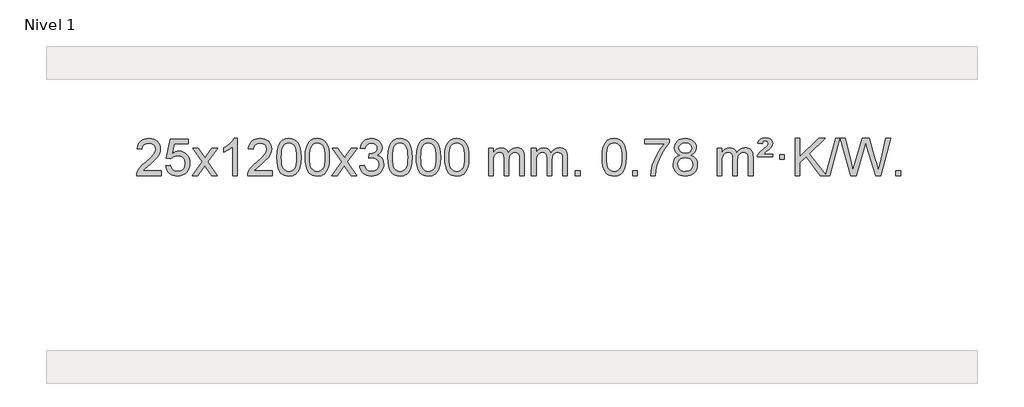
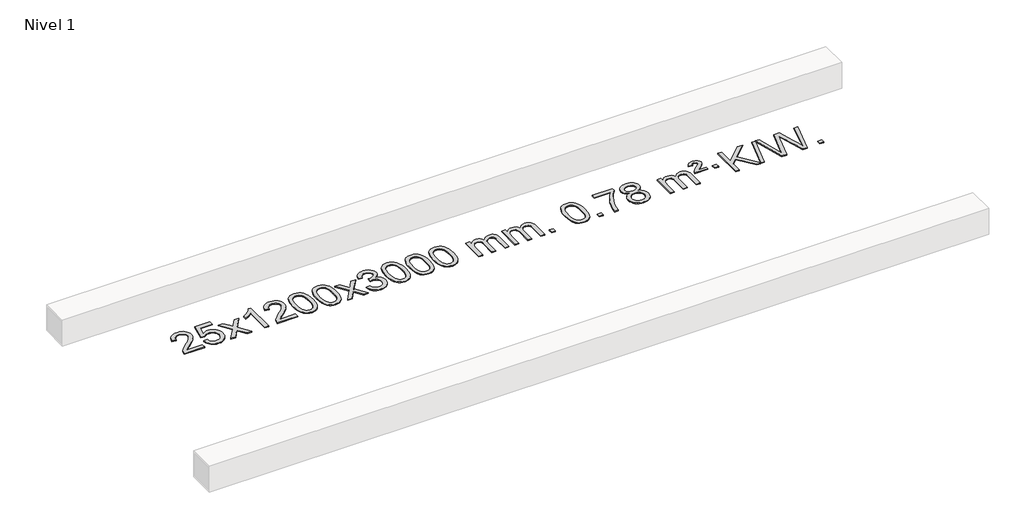
# One storey, part 2 of 8: 1 proxy.
"""IFC4 building model written with IfcOpenShell, lengths in millimetres."""

from ifc_helpers import new_model, si_unit, origin, origin_with_axes, place, context, project, spatial, polyline, outline, extrude, element, save

model = new_model("IFC4")

# Units and contexts
model_context = context("Model", 3, world=origin())
ifc_project = project(units=[si_unit("LENGTHUNIT", "METRE", prefix="MILLI")], contexts=[model_context])

# Site, building, storey
site = spatial("IfcSite", under=ifc_project)
building = spatial("IfcBuilding", under=site)
storey = spatial("IfcBuildingStorey", under=building, Name="Nivel 1", Elevation=0.0)

# Proxy
placement = place(None, origin())
element("IfcBuildingElementProxy", 1, Name="Texto de modelo 1", ObjectType="Texto de modelo 1", at=placement, inside=storey, context=model_context, shape_type="SweptSolid", body=[
    extrude(outline(polyline([(-22453.723944, -966.0966486), (-22453.723944, -1016.3248037), (-22717.4217581, -1016.3248037), (-22716.3181122, -998.6419425), (-22712.0261556, -981.6948452), (-22699.640795, -954.6309931), (-22681.5164754, -928.3764814), (-22655.2987519, -900.8956963), (-22618.6331797, -870.1530243), (-22564.4318991, -822.0095338), (-22531.9111307, -786.4721331), (-22515.6507465, -757.6301847), (-22510.2306185, -729.5730512), (-22515.3441782, -704.4221855), (-22530.6848574, -683.5142254), (-22554.2660933, -669.424345), (-22584.1013231, -664.7277182), (-22615.4326064, -669.3139804), (-22639.7741317, -683.072767), (-22655.4826929, -704.9249575), (-22660.9150837, -733.7914314), (-22711.1432388, -727.512912), (-22706.823691, -701.5833627), (-22698.9663447, -678.9279632), (-22687.5711999, -659.5467134), (-22672.6382566, -643.4396134), (-22654.5108713, -630.7783414), (-22633.5324005, -621.7345757), (-22609.7028443, -616.3083162), (-22583.0222026, -614.4995631), (-22556.1024376, -616.5106513), (-22532.1441226, -622.5439161), (-22511.1472578, -632.5993573), (-22493.111843, -646.6769749), (-22478.6264894, -663.7344368), (-22468.2798083, -682.7294105), (-22462.0717996, -703.661896), (-22460.0024634, -726.5318934), (-22462.2342808, -750.5545876), (-22468.9297331, -774.160349), (-22480.8123216, -798.1707806), (-22498.6055474, -823.4074854), (-22526.9692492, -853.5370208), (-22570.5632657, -892.225944), (-22628.3452644, -940.5411127), (-22651.0067953, -966.0966486), (-22453.723944, -966.0966486)])), origin_with_axes(), (0.0, 0.0, 1.0), 10.0),
    extrude(outline(polyline([(-22403.4957889, -909.5899742), (-22353.2676339, -903.3114548), (-22344.0460585, -933.4655156), (-22327.9573526, -955.0601888), (-22305.0750925, -968.0464232), (-22275.4728546, -972.375168), (-22256.3429909, -970.8699175), (-22239.46947, -966.354166), (-22224.8522921, -958.8279135), (-22212.491457, -948.2911601), (-22202.6628764, -935.2650717), (-22195.6424617, -920.2708148), (-22190.0261299, -884.3777948), (-22195.2868424, -850.5817021), (-22201.8627331, -836.6635), (-22211.06898, -824.7318606), (-22222.93624, -815.1607974), (-22237.49517, -808.3243236), (-22274.6880397, -802.8551446), (-22299.0540905, -805.0379111), (-22318.7848282, -811.5862106), (-22334.5424403, -821.6171264), (-22346.9891145, -834.2477415), (-22397.2172695, -827.9692222), (-22353.2676339, -620.7780825), (-22158.6335329, -620.7780825), (-22158.6335329, -671.0062376), (-22312.6534616, -671.0062376), (-22334.1377701, -781.6651417), (-22316.4119893, -768.9609501), (-22298.2570128, -759.8865276), (-22279.6728407, -754.4418741), (-22260.6594729, -752.6269896), (-22236.1983859, -754.8772011), (-22213.7299931, -761.6278357), (-22193.2542944, -772.8788934), (-22174.7712898, -788.6303741), (-22159.4704645, -807.9196534), (-22148.5413035, -829.7841067), (-22141.983807, -854.2237339), (-22139.7979748, -881.2385351), (-22141.7661435, -907.2600549), (-22147.6706495, -931.4666901), (-22157.5114929, -953.8584409), (-22171.2886736, -974.4353072), (-22192.1598454, -995.5088141), (-22216.5136335, -1010.5613191), (-22244.3500378, -1019.5928221), (-22275.6690583, -1022.6033231), (-22301.5894106, -1020.6688769), (-22325.0020339, -1014.8655384), (-22345.9069283, -1005.1933077), (-22364.3040937, -991.6521846), (-22379.6110504, -974.9166195), (-22391.2453185, -955.6610627), (-22399.206898, -933.8855143), (-22403.4957889, -909.5899742)])), origin_with_axes(), (0.0, 0.0, 1.0), 10.0),
    extrude(outline(polyline([(-22114.6838972, -1016.3248037), (-22007.3604565, -867.9947832), (-22108.4053779, -721.2343926), (-22047.9746288, -721.2343926), (-21999.2180017, -791.8677357), (-21976.4583689, -825.2223699), (-21956.739894, -797.9500514), (-21901.2142382, -721.2343926), (-21840.7834891, -721.2343926), (-21946.9297074, -867.9947832), (-21844.7075637, -1016.3248037), (-21905.1383128, -1016.3248037), (-21966.6481824, -927.1502081), (-21977.9298969, -910.8652984), (-22054.2531482, -1016.3248037), (-22114.6838972, -1016.3248037)])), origin_with_axes(), (0.0, 0.0, 1.0), 10.0),
    extrude(outline(polyline([(-21624.9593853, -1016.3248037), (-21675.1875403, -1016.3248037), (-21675.1875403, -703.1836494), (-21696.1568141, -720.1430094), (-21722.7669451, -737.0778439), (-21775.6438505, -762.4371761), (-21775.6438505, -714.9558732), (-21736.1946379, -693.4960902), (-21702.0184005, -667.9650797), (-21675.0771757, -640.8153885), (-21657.3330008, -614.4995631), (-21624.9593853, -614.4995631), (-21624.9593853, -1016.3248037)])), origin_with_axes(), (0.0, 0.0, 1.0), 10.0),
    extrude(outline(polyline([(-21248.2482222, -966.0966486), (-21248.2482222, -1016.3248037), (-21511.9460364, -1016.3248037), (-21510.8423904, -998.6419425), (-21506.5504338, -981.6948452), (-21494.1650733, -954.6309931), (-21476.0407536, -928.3764814), (-21449.8230301, -900.8956963), (-21413.1574579, -870.1530243), (-21358.9561773, -822.0095338), (-21326.4354089, -786.4721331), (-21310.1750247, -757.6301847), (-21304.7548967, -729.5730512), (-21309.8684564, -704.4221855), (-21325.2091356, -683.5142254), (-21348.7903715, -669.424345), (-21378.6256013, -664.7277182), (-21409.9568846, -669.3139804), (-21434.2984099, -683.072767), (-21450.0069711, -704.9249575), (-21455.4393619, -733.7914314), (-21505.667517, -727.512912), (-21501.3479692, -701.5833627), (-21493.4906229, -678.9279632), (-21482.0954781, -659.5467134), (-21467.1625348, -643.4396134), (-21449.0351495, -630.7783414), (-21428.0566787, -621.7345757), (-21404.2271225, -616.3083162), (-21377.5464808, -614.4995631), (-21350.6267158, -616.5106513), (-21326.6684008, -622.5439161), (-21305.671536, -632.5993573), (-21287.6361212, -646.6769749), (-21273.1507676, -663.7344368), (-21262.8040865, -682.7294105), (-21256.5960778, -703.661896), (-21254.5267416, -726.5318934), (-21256.758559, -750.5545876), (-21263.4540113, -774.160349), (-21275.3365998, -798.1707806), (-21293.1298256, -823.4074854), (-21321.4935274, -853.5370208), (-21365.0875439, -892.225944), (-21422.8695426, -940.5411127), (-21445.5310735, -966.0966486), (-21248.2482222, -966.0966486)])), origin_with_axes(), (0.0, 0.0, 1.0), 10.0),
    extrude(outline(polyline([(-21198.0200671, -818.649545), (-21194.3289844, -754.3315095), (-21183.2557364, -703.0364966), (-21164.9106876, -663.9796914), (-21153.0526246, -648.7463112), (-21139.4042026, -636.3762791), (-21123.9194363, -626.8052158), (-21106.5523404, -619.9687421), (-21066.1711601, -614.4995631), (-21035.2200215, -617.7369247), (-21007.5062446, -627.4490093), (-20984.3296789, -643.2556724), (-20966.9901742, -664.7767691), (-20953.8935751, -691.8283585), (-20943.4457265, -724.2264995), (-20936.6031214, -765.3679693), (-20934.322253, -818.649545), (-20937.9765475, -882.5996984), (-20948.9394309, -933.772084), (-20967.1741152, -972.8656773), (-20979.004587, -988.1450429), (-20992.643812, -1000.5794543), (-21008.1469724, -1010.2148969), (-21025.5692505, -1017.0973559), (-21066.1711601, -1022.6033231), (-21093.8358861, -1020.2120901), (-21118.3613524, -1013.0383912), (-21139.7475591, -1001.0822264), (-21157.9945061, -984.3435956), (-21175.505689, -954.0853015), (-21188.0136769, -916.3835283), (-21195.5184696, -871.2382762), (-21198.0200671, -818.649545)]), holes=[polyline([(-21147.7919121, -818.5514431), (-21146.3203841, -862.2159702), (-21141.9058001, -897.5602329), (-21134.5481602, -924.5842311), (-21124.2474644, -943.2879649), (-21111.7885275, -956.0136163), (-21097.9561644, -965.1033672), (-21082.7503753, -970.5572178), (-21066.1711601, -972.375168), (-21049.5919448, -970.5510864), (-21034.3861557, -965.0788418), (-21020.5537927, -955.958434), (-21008.0948558, -943.1898631), (-20997.7941599, -924.4554724), (-20990.43652, -897.4376056), (-20986.021936, -862.1362625), (-20984.5504081, -818.5514431), (-20985.9728851, -776.0426785), (-20990.2403163, -741.3207496), (-20997.3527015, -714.3856562), (-21007.3100408, -695.2373983), (-21019.5605113, -681.8894132), (-21033.5522898, -672.3551382), (-21049.2853765, -666.6345732), (-21066.7597713, -664.7277182), (-21083.2531474, -666.4077126), (-21098.2014191, -671.4476959), (-21111.6045865, -679.8476682), (-21123.4626494, -691.6076293), (-21134.1067018, -712.4542757), (-21141.7095964, -740.5604601), (-21146.2713331, -775.9261826), (-21147.7919121, -818.5514431)])]), origin_with_axes(), (0.0, 0.0, 1.0), 10.0),
    extrude(outline(polyline([(-20890.3726173, -818.649545), (-20886.6815346, -754.3315095), (-20875.6082866, -703.0364966), (-20857.2632377, -663.9796914), (-20845.4051748, -648.7463112), (-20831.7567527, -636.3762791), (-20816.2719864, -626.8052158), (-20798.9048906, -619.9687421), (-20758.5237102, -614.4995631), (-20727.5725717, -617.7369247), (-20699.8587947, -627.4490093), (-20676.682229, -643.2556724), (-20659.3427243, -664.7767691), (-20646.2461253, -691.8283585), (-20635.7982766, -724.2264995), (-20628.9556715, -765.3679693), (-20626.6748032, -818.649545), (-20630.3290976, -882.5996984), (-20641.2919811, -933.772084), (-20659.5266653, -972.8656773), (-20671.3571372, -988.1450429), (-20684.9963621, -1000.5794543), (-20700.4995225, -1010.2148969), (-20717.9218007, -1017.0973559), (-20758.5237102, -1022.6033231), (-20786.1884363, -1020.2120901), (-20810.7139026, -1013.0383912), (-20832.1001093, -1001.0822264), (-20850.3470562, -984.3435956), (-20867.8582392, -954.0853015), (-20880.366227, -916.3835283), (-20887.8710197, -871.2382762), (-20890.3726173, -818.649545)]), holes=[polyline([(-20840.1444622, -818.5514431), (-20838.6729342, -862.2159702), (-20834.2583503, -897.5602329), (-20826.9007104, -924.5842311), (-20816.6000145, -943.2879649), (-20804.1410776, -956.0136163), (-20790.3087146, -965.1033672), (-20775.1029255, -970.5572178), (-20758.5237102, -972.375168), (-20741.944495, -970.5510864), (-20726.7387058, -965.0788418), (-20712.9063428, -955.958434), (-20700.4474059, -943.1898631), (-20690.1467101, -924.4554724), (-20682.7890702, -897.4376056), (-20678.3744862, -862.1362625), (-20676.9029582, -818.5514431), (-20678.3254353, -776.0426785), (-20682.5928664, -741.3207496), (-20689.7052517, -714.3856562), (-20699.662591, -695.2373983), (-20711.9130614, -681.8894132), (-20725.90484, -672.3551382), (-20741.6379267, -666.6345732), (-20759.1123214, -664.7277182), (-20775.6056975, -666.4077126), (-20790.5539693, -671.4476959), (-20803.9571366, -679.8476682), (-20815.8151996, -691.6076293), (-20826.459252, -712.4542757), (-20834.0621466, -740.5604601), (-20838.6238833, -775.9261826), (-20840.1444622, -818.5514431)])]), origin_with_axes(), (0.0, 0.0, 1.0), 10.0),
    extrude(outline(polyline([(-20601.5607256, -1016.3248037), (-20494.2372849, -867.9947832), (-20595.2822062, -721.2343926), (-20534.8514572, -721.2343926), (-20486.0948301, -791.8677357), (-20463.3351973, -825.2223699), (-20443.6167224, -797.9500514), (-20388.0910666, -721.2343926), (-20327.6603175, -721.2343926), (-20433.8065358, -867.9947832), (-20331.5843921, -1016.3248037), (-20392.0151412, -1016.3248037), (-20453.5250108, -927.1502081), (-20464.8067253, -910.8652984), (-20541.1299765, -1016.3248037), (-20601.5607256, -1016.3248037)])), origin_with_axes(), (0.0, 0.0, 1.0), 10.0),
    extrude(outline(polyline([(-20300.1917952, -909.5899742), (-20249.9636401, -903.3114548), (-20238.7187138, -934.87573), (-20222.2498631, -956.1883602), (-20199.7477478, -968.3284661), (-20170.4030273, -972.375168), (-20135.9692725, -966.8078871), (-20121.6954511, -959.8487861), (-20109.383667, -950.1060446), (-20092.3875188, -925.1881708), (-20086.7221361, -894.9727962), (-20092.3384679, -866.2902633), (-20109.1874633, -843.0278585), (-20134.6939483, -827.6136029), (-20166.2827489, -822.4755177), (-20201.5013186, -827.9692222), (-20195.9095123, -777.7410671), (-20187.8651593, -778.3296783), (-20157.7724121, -774.7244347), (-20130.8679755, -763.9087041), (-20119.7947275, -755.729461), (-20111.8852646, -745.6127062), (-20107.1395868, -733.5584395), (-20105.5576943, -719.5666609), (-20110.1439565, -697.8738859), (-20123.9027431, -680.2768638), (-20144.8965423, -668.6150046), (-20171.1878422, -664.7277182), (-20197.5281931, -668.6517928), (-20219.0615525, -680.4240166), (-20234.7823764, -700.0443897), (-20243.6851207, -727.512912), (-20293.9132758, -721.2343926), (-20287.9597188, -697.2546179), (-20279.1244196, -676.13206), (-20267.407378, -657.866719), (-20252.8085942, -642.4585947), (-20235.7879205, -630.2265184), (-20216.8052096, -621.489321), (-20195.8604613, -616.2470026), (-20172.9536758, -614.4995631), (-20141.3771379, -617.9453911), (-20112.3757739, -628.2828752), (-20087.923884, -644.5923103), (-20069.9957681, -665.9539915), (-20058.9960964, -690.565297), (-20055.3295392, -716.623605), (-20058.8121554, -740.9038166), (-20069.2600041, -762.9276854), (-20086.5259324, -781.6896672), (-20110.4627875, -796.1842178), (-20079.0211397, -808.8884093), (-20055.7219466, -830.5198707), (-20041.3009724, -859.9013793), (-20036.493981, -895.855713), (-20038.8974767, -921.3376725), (-20046.1079638, -944.8085438), (-20058.1254423, -966.2683269), (-20074.9499123, -985.7170217), (-20095.4470708, -1001.8547786), (-20118.482615, -1013.3817477), (-20144.0565451, -1020.2979292), (-20172.1688608, -1022.6033231), (-20197.577244, -1020.6351544), (-20220.7292842, -1014.7306484), (-20241.6249815, -1004.889805), (-20260.264336, -991.1126243), (-20275.8931894, -974.2084466), (-20287.7573837, -954.9866124), (-20295.856919, -933.4471215), (-20300.1917952, -909.5899742)])), origin_with_axes(), (0.0, 0.0, 1.0), 10.0),
    extrude(outline(polyline([(-19992.5443453, -818.649545), (-19988.8532627, -754.3315095), (-19977.7800146, -703.0364966), (-19959.4349658, -663.9796914), (-19947.5769028, -648.7463112), (-19933.9284808, -636.3762791), (-19918.4437145, -626.8052158), (-19901.0766186, -619.9687421), (-19860.6954383, -614.4995631), (-19829.7442997, -617.7369247), (-19802.0305228, -627.4490093), (-19778.8539571, -643.2556724), (-19761.5144524, -664.7767691), (-19748.4178533, -691.8283585), (-19737.9700047, -724.2264995), (-19731.1273996, -765.3679693), (-19728.8465312, -818.649545), (-19732.5008257, -882.5996984), (-19743.4637091, -933.772084), (-19761.6983934, -972.8656773), (-19773.5288652, -988.1450429), (-19787.1680902, -1000.5794543), (-19802.6712506, -1010.2148969), (-19820.0935287, -1017.0973559), (-19860.6954383, -1022.6033231), (-19888.3601643, -1020.2120901), (-19912.8856306, -1013.0383912), (-19934.2718373, -1001.0822264), (-19952.5187843, -984.3435956), (-19970.0299672, -954.0853015), (-19982.5379551, -916.3835283), (-19990.0427478, -871.2382762), (-19992.5443453, -818.649545)]), holes=[polyline([(-19942.3161903, -818.5514431), (-19940.8446623, -862.2159702), (-19936.4300783, -897.5602329), (-19929.0724384, -924.5842311), (-19918.7717426, -943.2879649), (-19906.3128057, -956.0136163), (-19892.4804427, -965.1033672), (-19877.2746535, -970.5572178), (-19860.6954383, -972.375168), (-19844.116223, -970.5510864), (-19828.9104339, -965.0788418), (-19815.0780709, -955.958434), (-19802.619134, -943.1898631), (-19792.3184381, -924.4554724), (-19784.9607982, -897.4376056), (-19780.5462143, -862.1362625), (-19779.0746863, -818.5514431), (-19780.4971633, -776.0426785), (-19784.7645945, -741.3207496), (-19791.8769797, -714.3856562), (-19801.834319, -695.2373983), (-19814.0847895, -681.8894132), (-19828.076568, -672.3551382), (-19843.8096547, -666.6345732), (-19861.2840495, -664.7277182), (-19877.7774256, -666.4077126), (-19892.7256973, -671.4476959), (-19906.1288647, -679.8476682), (-19917.9869276, -691.6076293), (-19928.63098, -712.4542757), (-19936.2338746, -740.5604601), (-19940.7956114, -775.9261826), (-19942.3161903, -818.5514431)])]), origin_with_axes(), (0.0, 0.0, 1.0), 10.0),
    extrude(outline(polyline([(-19684.8968955, -818.649545), (-19681.2058128, -754.3315095), (-19670.1325648, -703.0364966), (-19651.7875159, -663.9796914), (-19639.929453, -648.7463112), (-19626.2810309, -636.3762791), (-19610.7962646, -626.8052158), (-19593.4291688, -619.9687421), (-19553.0479884, -614.4995631), (-19522.0968499, -617.7369247), (-19494.3830729, -627.4490093), (-19471.2065072, -643.2556724), (-19453.8670025, -664.7767691), (-19440.7704035, -691.8283585), (-19430.3225548, -724.2264995), (-19423.4799497, -765.3679693), (-19421.1990814, -818.649545), (-19424.8533758, -882.5996984), (-19435.8162593, -933.772084), (-19454.0509435, -972.8656773), (-19465.8814154, -988.1450429), (-19479.5206403, -1000.5794543), (-19495.0238007, -1010.2148969), (-19512.4460789, -1017.0973559), (-19553.0479884, -1022.6033231), (-19580.7127145, -1020.2120901), (-19605.2381808, -1013.0383912), (-19626.6243875, -1001.0822264), (-19644.8713344, -984.3435956), (-19662.3825174, -954.0853015), (-19674.8905052, -916.3835283), (-19682.3952979, -871.2382762), (-19684.8968955, -818.649545)]), holes=[polyline([(-19634.6687404, -818.5514431), (-19633.1972124, -862.2159702), (-19628.7826285, -897.5602329), (-19621.4249886, -924.5842311), (-19611.1242927, -943.2879649), (-19598.6653558, -956.0136163), (-19584.8329928, -965.1033672), (-19569.6272037, -970.5572178), (-19553.0479884, -972.375168), (-19536.4687732, -970.5510864), (-19521.2629841, -965.0788418), (-19507.430621, -955.958434), (-19494.9716841, -943.1898631), (-19484.6709883, -924.4554724), (-19477.3133484, -897.4376056), (-19472.8987644, -862.1362625), (-19471.4272364, -818.5514431), (-19472.8497135, -776.0426785), (-19477.1171446, -741.3207496), (-19484.2295299, -714.3856562), (-19494.1868692, -695.2373983), (-19506.4373396, -681.8894132), (-19520.4291182, -672.3551382), (-19536.1622049, -666.6345732), (-19553.6365996, -664.7277182), (-19570.1299757, -666.4077126), (-19585.0782475, -671.4476959), (-19598.4814148, -679.8476682), (-19610.3394778, -691.6076293), (-19620.9835302, -712.4542757), (-19628.5864248, -740.5604601), (-19633.1481615, -775.9261826), (-19634.6687404, -818.5514431)])]), origin_with_axes(), (0.0, 0.0, 1.0), 10.0),
    extrude(outline(polyline([(-19377.2494457, -818.649545), (-19373.558363, -754.3315095), (-19362.4851149, -703.0364966), (-19344.1400661, -663.9796914), (-19332.2820031, -648.7463112), (-19318.6335811, -636.3762791), (-19303.1488148, -626.8052158), (-19285.7817189, -619.9687421), (-19245.4005386, -614.4995631), (-19214.4494001, -617.7369247), (-19186.7356231, -627.4490093), (-19163.5590574, -643.2556724), (-19146.2195527, -664.7767691), (-19133.1229537, -691.8283585), (-19122.675105, -724.2264995), (-19115.8324999, -765.3679693), (-19113.5516315, -818.649545), (-19117.205926, -882.5996984), (-19128.1688095, -933.772084), (-19146.4034937, -972.8656773), (-19158.2339655, -988.1450429), (-19171.8731905, -1000.5794543), (-19187.3763509, -1010.2148969), (-19204.7986291, -1017.0973559), (-19245.4005386, -1022.6033231), (-19273.0652646, -1020.2120901), (-19297.590731, -1013.0383912), (-19318.9769376, -1001.0822264), (-19337.2238846, -984.3435956), (-19354.7350676, -954.0853015), (-19367.2430554, -916.3835283), (-19374.7478481, -871.2382762), (-19377.2494457, -818.649545)]), holes=[polyline([(-19327.0212906, -818.5514431), (-19325.5497626, -862.2159702), (-19321.1351787, -897.5602329), (-19313.7775388, -924.5842311), (-19303.4768429, -943.2879649), (-19291.017906, -956.0136163), (-19277.185543, -965.1033672), (-19261.9797538, -970.5572178), (-19245.4005386, -972.375168), (-19228.8213234, -970.5510864), (-19213.6155342, -965.0788418), (-19199.7831712, -955.958434), (-19187.3242343, -943.1898631), (-19177.0235384, -924.4554724), (-19169.6658985, -897.4376056), (-19165.2513146, -862.1362625), (-19163.7797866, -818.5514431), (-19165.2022637, -776.0426785), (-19169.4696948, -741.3207496), (-19176.58208, -714.3856562), (-19186.5394194, -695.2373983), (-19198.7898898, -681.8894132), (-19212.7816684, -672.3551382), (-19228.514755, -666.6345732), (-19245.9891498, -664.7277182), (-19262.4825259, -666.4077126), (-19277.4307976, -671.4476959), (-19290.833965, -679.8476682), (-19302.692028, -691.6076293), (-19313.3360804, -712.4542757), (-19320.9389749, -740.5604601), (-19325.5007117, -775.9261826), (-19327.0212906, -818.5514431)])]), origin_with_axes(), (0.0, 0.0, 1.0), 10.0),
    extrude(outline(polyline([(-18900.0819725, -1016.3248037), (-18900.0819725, -721.2343926), (-18849.8538174, -721.2343926), (-18849.8538174, -769.794816), (-18834.7461301, -747.4889044), (-18815.3219608, -730.0145096), (-18792.2434969, -718.7205323), (-18766.1729262, -714.9558732), (-18738.23842, -718.7941087), (-18715.8466693, -730.3088152), (-18699.1203012, -748.7397031), (-18688.1819432, -773.3264831), (-18669.8736826, -747.7893413), (-18648.990248, -729.5485257), (-18625.5316395, -718.6040364), (-18599.4978569, -714.9558732), (-18579.3900402, -716.4733865), (-18561.7409015, -721.0259262), (-18546.5504408, -728.6134923), (-18533.8186581, -739.2360849), (-18523.7540198, -753.0163313), (-18516.5649925, -770.0768589), (-18512.2515761, -790.4176675), (-18510.8137706, -814.0387573), (-18510.8137706, -1016.3248037), (-18561.0419257, -1016.3248037), (-18561.0419257, -835.6211677), (-18562.2068854, -810.5684038), (-18565.7017643, -793.6826202), (-18572.2500638, -782.1188628), (-18582.5752852, -773.0321776), (-18595.8558252, -767.1460656), (-18611.2700808, -765.1840283), (-18638.4810857, -770.2117489), (-18660.66437, -785.2949107), (-18669.269743, -796.8647995), (-18675.416438, -811.4635833), (-18680.333794, -849.7478363), (-18680.333794, -1016.3248037), (-18730.5619491, -1016.3248037), (-18730.5619491, -830.0293613), (-18733.4682168, -801.6288713), (-18742.1870201, -781.3708361), (-18757.5276993, -769.2307303), (-18780.2995948, -765.1840283), (-18799.6501878, -767.8818296), (-18817.4802018, -775.9752335), (-18832.1954816, -789.2680363), (-18842.2018719, -807.5640342), (-18847.940831, -832.9478918), (-18849.8538174, -867.5042739), (-18849.8538174, -1016.3248037), (-18900.0819725, -1016.3248037)])), origin_with_axes(), (0.0, 0.0, 1.0), 10.0),
    extrude(outline(polyline([(-18435.471538, -1016.3248037), (-18435.471538, -721.2343926), (-18385.2433829, -721.2343926), (-18385.2433829, -769.794816), (-18370.1356957, -747.4889044), (-18350.7115263, -730.0145096), (-18327.6330625, -718.7205323), (-18301.5624918, -714.9558732), (-18273.6279856, -718.7941087), (-18251.2362348, -730.3088152), (-18234.5098668, -748.7397031), (-18223.5715088, -773.3264831), (-18205.2632482, -747.7893413), (-18184.3798136, -729.5485257), (-18160.921205, -718.6040364), (-18134.8874225, -714.9558732), (-18114.7796058, -716.4733865), (-18097.1304671, -721.0259262), (-18081.9400063, -728.6134923), (-18069.2082236, -739.2360849), (-18059.1435854, -753.0163313), (-18051.954558, -770.0768589), (-18047.6411417, -790.4176675), (-18046.2033362, -814.0387573), (-18046.2033362, -1016.3248037), (-18096.4314913, -1016.3248037), (-18096.4314913, -835.6211677), (-18097.5964509, -810.5684038), (-18101.0913299, -793.6826202), (-18107.6396294, -782.1188628), (-18117.9648507, -773.0321776), (-18131.2453907, -767.1460656), (-18146.6596463, -765.1840283), (-18173.8706512, -770.2117489), (-18196.0539356, -785.2949107), (-18204.6593086, -796.8647995), (-18210.8060036, -811.4635833), (-18215.7233596, -849.7478363), (-18215.7233596, -1016.3248037), (-18265.9515146, -1016.3248037), (-18265.9515146, -830.0293613), (-18268.8577824, -801.6288713), (-18277.5765857, -781.3708361), (-18292.9172649, -769.2307303), (-18315.6891604, -765.1840283), (-18335.0397533, -767.8818296), (-18352.8697674, -775.9752335), (-18367.5850472, -789.2680363), (-18377.5914374, -807.5640342), (-18383.3303966, -832.9478918), (-18385.2433829, -867.5042739), (-18385.2433829, -1016.3248037), (-18435.471538, -1016.3248037)])), origin_with_axes(), (0.0, 0.0, 1.0), 10.0),
    extrude(outline(polyline([(-17958.3040648, -1016.3248037), (-17958.3040648, -966.0966486), (-17908.0759097, -966.0966486), (-17908.0759097, -1016.3248037), (-17958.3040648, -1016.3248037)])), origin_with_axes(), (0.0, 0.0, 1.0), 10.0),
    extrude(outline(polyline([(-17669.4921731, -818.649545), (-17665.8010904, -754.3315095), (-17654.7278424, -703.0364966), (-17636.3827936, -663.9796914), (-17624.5247306, -648.7463112), (-17610.8763086, -636.3762791), (-17595.3915423, -626.8052158), (-17578.0244464, -619.9687421), (-17537.6432661, -614.4995631), (-17506.6921275, -617.7369247), (-17478.9783506, -627.4490093), (-17455.8017849, -643.2556724), (-17438.4622802, -664.7767691), (-17425.3656811, -691.8283585), (-17414.9178325, -724.2264995), (-17408.0752274, -765.3679693), (-17405.794359, -818.649545), (-17409.4486535, -882.5996984), (-17420.4115369, -933.772084), (-17438.6462212, -972.8656773), (-17450.476693, -988.1450429), (-17464.115918, -1000.5794543), (-17479.6190784, -1010.2148969), (-17497.0413565, -1017.0973559), (-17537.6432661, -1022.6033231), (-17565.3079921, -1020.2120901), (-17589.8334584, -1013.0383912), (-17611.2196651, -1001.0822264), (-17629.4666121, -984.3435956), (-17646.977795, -954.0853015), (-17659.4857829, -916.3835283), (-17666.9905756, -871.2382762), (-17669.4921731, -818.649545)]), holes=[polyline([(-17619.2640181, -818.5514431), (-17617.7924901, -862.2159702), (-17613.3779061, -897.5602329), (-17606.0202662, -924.5842311), (-17595.7195704, -943.2879649), (-17583.2606335, -956.0136163), (-17569.4282704, -965.1033672), (-17554.2224813, -970.5572178), (-17537.6432661, -972.375168), (-17521.0640508, -970.5510864), (-17505.8582617, -965.0788418), (-17492.0258987, -955.958434), (-17479.5669618, -943.1898631), (-17469.2662659, -924.4554724), (-17461.908626, -897.4376056), (-17457.494042, -862.1362625), (-17456.0225141, -818.5514431), (-17457.4449911, -776.0426785), (-17461.7124223, -741.3207496), (-17468.8248075, -714.3856562), (-17478.7821468, -695.2373983), (-17491.0326173, -681.8894132), (-17505.0243958, -672.3551382), (-17520.7574825, -666.6345732), (-17538.2318772, -664.7277182), (-17554.7252534, -666.4077126), (-17569.6735251, -671.4476959), (-17583.0766925, -679.8476682), (-17594.9347554, -691.6076293), (-17605.5788078, -712.4542757), (-17613.1817024, -740.5604601), (-17617.7434391, -775.9261826), (-17619.2640181, -818.5514431)])]), origin_with_axes(), (0.0, 0.0, 1.0), 10.0),
    extrude(outline(polyline([(-17336.7306458, -1016.3248037), (-17336.7306458, -966.0966486), (-17286.5024907, -966.0966486), (-17286.5024907, -1016.3248037), (-17336.7306458, -1016.3248037)])), origin_with_axes(), (0.0, 0.0, 1.0), 10.0),
    extrude(outline(polyline([(-17204.8817387, -671.0062376), (-17204.8817387, -620.7780825), (-16941.1839245, -620.7780825), (-16941.1839245, -661.3922547), (-16978.7692017, -708.9593967), (-17015.9865969, -769.4514595), (-17048.8139336, -837.350213), (-17073.2290353, -907.1374275), (-17085.1974629, -959.3521454), (-17091.8683898, -1016.3248037), (-17142.0965448, -1016.3248037), (-17136.664154, -964.5515442), (-17122.1328152, -903.0171492), (-17098.8949359, -837.7916714), (-17067.3429234, -774.9451639), (-17030.505673, -718.1319211), (-16991.4120796, -671.0062376), (-17204.8817387, -671.0062376)])), origin_with_axes(), (0.0, 0.0, 1.0), 10.0),
    extrude(outline(polyline([(-16824.0502973, -795.0069954), (-16850.9424711, -781.7632436), (-16869.8148175, -763.8106022), (-16880.9616419, -741.5169533), (-16884.6772501, -715.2501788), (-16882.6538991, -694.7652831), (-16876.5838462, -675.9849072), (-16866.4670913, -658.9090513), (-16852.3036345, -643.5377152), (-16834.7740574, -630.8335237), (-16814.5589418, -621.7591011), (-16791.6582876, -616.3144476), (-16766.0720948, -614.4995631), (-16740.3632747, -616.3573672), (-16717.2909423, -621.9307794), (-16696.8550974, -631.2197998), (-16679.0557402, -644.2244283), (-16664.634766, -659.8962013), (-16654.3340702, -677.1866551), (-16648.1536527, -696.0957896), (-16646.0935135, -716.623605), (-16649.7600707, -742.0442508), (-16660.7597424, -763.957755), (-16679.2151558, -781.8000318), (-16705.2489383, -795.0069954), (-16674.334588, -810.9362858), (-16651.8324726, -834.3948943), (-16638.1104742, -864.2546496), (-16633.5364747, -899.3873802), (-16635.8050803, -924.440144), (-16642.6108973, -947.4082433), (-16653.9539254, -968.2916779), (-16669.8341649, -987.0904478), (-16689.4177498, -1002.6273307), (-16711.8708142, -1013.7251043), (-16737.1933582, -1020.3837684), (-16765.3853818, -1022.6033231), (-16793.5774053, -1020.3745713), (-16818.8999493, -1013.6883161), (-16841.3530138, -1002.5445573), (-16860.9365987, -986.943295), (-16876.8168381, -968.0127007), (-16888.1598663, -946.8809457), (-16894.9656832, -923.5480302), (-16897.2342889, -898.013954), (-16892.4763484, -861.5200601), (-16878.202527, -831.5008893), (-16855.1485886, -808.9865112), (-16824.0502973, -795.0069954)]), holes=[polyline([(-16847.0061338, -896.2481205), (-16844.9092064, -915.4638234), (-16838.6184243, -934.0663896), (-16827.005616, -950.2899856), (-16808.94261, -962.3687777), (-16787.3111487, -969.8735704), (-16764.9929743, -972.375168), (-16730.8044742, -967.1144555), (-16716.9107976, -960.5385648), (-16705.1508364, -951.3323179), (-16689.1111814, -927.4322509), (-16683.7646298, -897.8177503), (-16689.2828597, -867.7004776), (-16705.8375495, -843.2731132), (-16717.9163417, -833.8308086), (-16732.0797985, -827.0863054), (-16766.660706, -821.6907028), (-16800.3709595, -827.012729), (-16814.1082864, -833.6652617), (-16825.7670799, -842.9788076), (-16841.6963703, -866.9401882), (-16847.0061338, -896.2481205)]), polyline([(-16834.449095, -716.7217068), (-16829.9977229, -738.6474737), (-16816.6436064, -756.1586567), (-16794.7791532, -767.636575), (-16764.7967706, -771.4625477), (-16735.5133638, -767.6611004), (-16713.9800043, -756.2567586), (-16700.7362525, -739.3341868), (-16696.3216686, -718.9780497), (-16700.8834053, -697.8493605), (-16714.5686155, -680.3749657), (-16736.3962806, -668.6395301), (-16765.3853818, -664.7277182), (-16794.558424, -668.5536909), (-16816.3493008, -680.0316092), (-16829.9241465, -696.8560791), (-16834.449095, -716.7217068)])]), origin_with_axes(), (0.0, 0.0, 1.0), 10.0),
    extrude(outline(polyline([(-16420.0668156, -1016.3248037), (-16420.0668156, -721.2343926), (-16369.8386606, -721.2343926), (-16369.8386606, -769.794816), (-16354.7309733, -747.4889044), (-16335.306804, -730.0145096), (-16312.2283401, -718.7205323), (-16286.1577694, -714.9558732), (-16258.2232632, -718.7941087), (-16235.8315125, -730.3088152), (-16219.1051444, -748.7397031), (-16208.1667864, -773.3264831), (-16189.8585258, -747.7893413), (-16168.9750912, -729.5485257), (-16145.5164826, -718.6040364), (-16119.4827001, -714.9558732), (-16099.3748834, -716.4733865), (-16081.7257447, -721.0259262), (-16066.535284, -728.6134923), (-16053.8035012, -739.2360849), (-16043.738863, -753.0163313), (-16036.5498357, -770.0768589), (-16032.2364193, -790.4176675), (-16030.7986138, -814.0387573), (-16030.7986138, -1016.3248037), (-16081.0267689, -1016.3248037), (-16081.0267689, -835.6211677), (-16082.1917285, -810.5684038), (-16085.6866075, -793.6826202), (-16092.234907, -782.1188628), (-16102.5601283, -773.0321776), (-16115.8406684, -767.1460656), (-16131.254924, -765.1840283), (-16158.4659289, -770.2117489), (-16180.6492132, -785.2949107), (-16189.2545862, -796.8647995), (-16195.4012812, -811.4635833), (-16200.3186372, -849.7478363), (-16200.3186372, -1016.3248037), (-16250.5467923, -1016.3248037), (-16250.5467923, -830.0293613), (-16253.45306, -801.6288713), (-16262.1718633, -781.3708361), (-16277.5125425, -769.2307303), (-16300.284438, -765.1840283), (-16319.635031, -767.8818296), (-16337.465045, -775.9752335), (-16352.1803248, -789.2680363), (-16362.1867151, -807.5640342), (-16367.9256742, -832.9478918), (-16369.8386606, -867.5042739), (-16369.8386606, -1016.3248037), (-16420.0668156, -1016.3248037)])), origin_with_axes(), (0.0, 0.0, 1.0), 10.0),
    extrude(outline(polyline([(-15986.8489781, -815.4121834), (-15983.0230054, -799.5932576), (-15974.6843468, -783.7252809), (-15953.1755128, -758.5866779), (-15921.2188302, -730.8483754), (-15877.0729908, -693.4715647), (-15869.9360801, -681.9445955), (-15867.5571098, -670.1233208), (-15869.4455707, -658.0322659), (-15875.1109535, -648.2466048), (-15884.4796816, -641.7718817), (-15897.4781788, -639.6136406), (-15909.9125902, -641.2323214), (-15918.7662835, -646.0883637), (-15925.1919557, -655.5551938), (-15930.3423037, -671.0062376), (-15980.5704587, -664.7277182), (-15969.7302026, -639.5155388), (-15953.1019364, -621.9553049), (-15929.3367595, -611.654609), (-15897.0857713, -608.2210437), (-15861.3031159, -612.3535848), (-15836.5569204, -624.751208), (-15822.1359461, -643.0839941), (-15817.3289547, -665.0220238), (-15821.4247076, -687.9288093), (-15833.7119663, -709.5602706), (-15854.2397816, -729.3768475), (-15890.70915, -757.433981), (-15916.3137369, -784.0195865), (-15817.3289547, -784.0195865), (-15817.3289547, -815.4121834), (-15986.8489781, -815.4121834)])), origin_with_axes(), (0.0, 0.0, 1.0), 10.0),
    extrude(outline(polyline([(-15741.9867221, -840.5262609), (-15741.9867221, -790.2981059), (-15691.7585671, -790.2981059), (-15691.7585671, -840.5262609), (-15741.9867221, -840.5262609)])), origin_with_axes(), (0.0, 0.0, 1.0), 10.0),
    extrude(outline(polyline([(-15301.1169391, -1016.3248037), (-15454.5482566, -813.6463498), (-15522.2385437, -878.1973772), (-15522.2385437, -1016.3248037), (-15572.4666988, -1016.3248037), (-15572.4666988, -614.4995631), (-15522.2385437, -614.4995631), (-15522.2385437, -811.1938032), (-15316.2246264, -614.4995631), (-15245.9836908, -614.4995631), (-15418.9372794, -779.7031044), (-15244.2836696, -1010.2802839), (-15132.9703419, -614.4995631), (-15087.64728, -614.4995631), (-15200.660629, -1016.3248037), (-15239.7051714, -1016.3248037), (-15245.9836908, -1016.3248037), (-15301.1169391, -1016.3248037)])), origin_with_axes(), (0.0, 0.0, 1.0), 10.0),
    extrude(outline(polyline([(-14973.1624031, -1016.3248037), (-15082.7421868, -614.4995631), (-15030.9444019, -614.4995631), (-14967.3743931, -878.5897847), (-14947.75402, -960.1124348), (-14926.7602208, -888.0075638), (-14847.1015061, -614.4995631), (-14772.4459866, -614.4995631), (-14714.565886, -812.763433), (-14689.7706395, -886.3398321), (-14671.4991671, -960.1124348), (-14652.4674052, -880.9442295), (-14588.3087853, -614.4995631), (-14536.5110003, -614.4995631), (-14646.1888858, -1016.3248037), (-14699.8506062, -1016.3248037), (-14796.186638, -706.3229091), (-14809.6265936, -663.0599865), (-14824.7342808, -715.152077), (-14912.5354503, -1016.3248037), (-14973.1624031, -1016.3248037)])), origin_with_axes(), (0.0, 0.0, 1.0), 10.0),
    extrude(outline(polyline([(-14480.0043259, -1016.3248037), (-14480.0043259, -966.0966486), (-14429.7761708, -966.0966486), (-14429.7761708, -1016.3248037), (-14480.0043259, -1016.3248037)])), origin_with_axes(), (0.0, 0.0, 1.0), 10.0),
])

save(model, "model.ifc")
